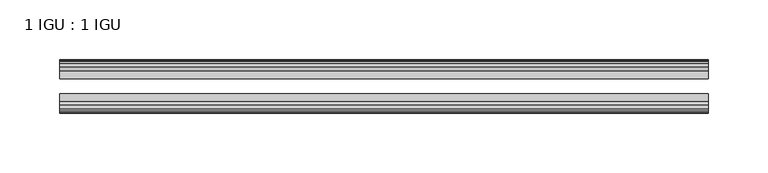
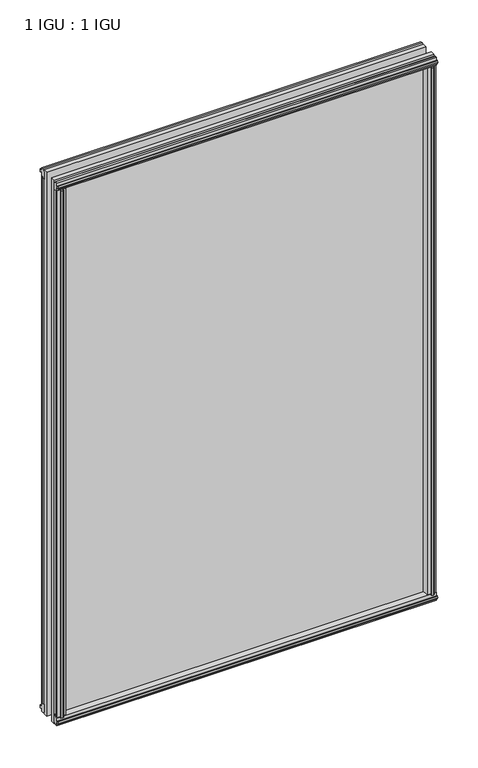
"""IFC4 building model written with IfcOpenShell, lengths in millimetres: plate geometry, 1 IGU : 1 IGU."""

from ifc_helpers import new_model, si_unit, frame, origin, origin_with_axes, place, context, project, spatial, polyline, outline, extrude, source, transform, mapped, element, save


def plate_1_igu_1_igu_ea7aefea(model_context):
    return source(origin(), model_context, "Body", "SweptSolid", [
        extrude(outline(polyline([(258.3727015, -19.5460937), (260.4779786, -13.1960937), (265.685173, -13.1960937), (266.066173, -10.8158968), (264.650644, -11.27583), (264.650644, -10.4746158), (266.828173, -9.7670937), (269.0057021, -10.4746158), (269.0057021, -11.27583), (267.590173, -10.8158968), (267.971173, -13.1960937), (272.416173, -13.1960937), (272.416173, -16.1419073), (270.2030955, -19.5460937), (258.3727015, -19.5460937)])), origin_with_axes(), (0.0, 0.0, 1.0), 800.1),
        extrude(outline(polyline([(-258.3727015, -19.5460937), (-270.2030955, -19.5460937), (-272.416173, -16.1419073), (-272.416173, -13.1960937), (-267.971173, -13.1960937), (-267.590173, -10.8158968), (-269.0057021, -11.27583), (-269.0057021, -10.4746158), (-266.828173, -9.7670937), (-264.650644, -10.4746158), (-264.650644, -11.27583), (-266.066173, -10.8158968), (-265.685173, -13.1960937), (-260.4779786, -13.1960937), (-258.3727015, -19.5460937)])), origin_with_axes(), (0.0, 0.0, 1.0), 800.1),
        extrude(outline(polyline([(-16.1419073, -12.4576852), (-19.5460937, -10.2446077), (-19.5460937, 1.5857863), (-13.1960937, -0.5194908), (-13.1960937, -5.7266852), (-10.8158968, -6.1076852), (-11.27583, -4.6921562), (-10.4746158, -4.6921562), (-9.7670937, -6.8696852), (-10.4746158, -9.0472143), (-11.27583, -9.0472143), (-10.8158968, -7.6316852), (-13.1960937, -8.0126852), (-13.1960937, -12.4576852), (-16.1419073, -12.4576852)])), frame((-272.6584878, 0.0, 0.0), z_axis=(1.0, 0.0, 0.0), x_axis=(0.0, 1.0, 0.0)), (0.0, 0.0, 1.0), 545.3169756),
        extrude(outline(polyline([(-48.3502802, -11.938), (-51.2960937, -11.938), (-51.2960937, -7.493), (-53.6762907, -7.112), (-53.2163575, -8.5275291), (-54.0175717, -8.5275291), (-54.7250937, -6.35), (-54.0175717, -4.172471), (-53.2163575, -4.172471), (-53.6762907, -5.588), (-51.2960937, -5.207), (-51.2960937, 0.0001944), (-44.9460937, 2.1054715), (-44.9460937, -9.7249225), (-48.3502802, -11.938)])), frame((-272.6584878, 0.0, 0.0), z_axis=(1.0, 0.0, 0.0), x_axis=(0.0, 1.0, 0.0)), (0.0, 0.0, 1.0), 545.3169756),
        extrude(outline(polyline([(-16.1028367, 812.5576852), (-13.1960937, 812.5576852), (-13.1960937, 808.1126852), (-10.8158968, 807.7316852), (-11.27583, 809.1472143), (-10.4746158, 809.1472143), (-9.7670937, 806.9696852), (-10.4746158, 804.7921562), (-11.27583, 804.7921562), (-10.8158968, 806.2076852), (-13.1960937, 805.8266852), (-13.1960937, 800.5940908), (-19.5460937, 798.4888137), (-19.5460937, 810.3192077), (-16.1028367, 812.5576852)])), frame((-272.6584878, 0.0, 0.0), z_axis=(1.0, 0.0, 0.0), x_axis=(0.0, 1.0, 0.0)), (0.0, 0.0, 1.0), 545.3169756),
        extrude(outline(polyline([(-48.3893508, 812.0126), (-44.9460937, 809.7741225), (-44.9460937, 797.9437285), (-51.2960937, 800.0490056), (-51.2960937, 805.2816), (-53.6762907, 805.6626), (-53.2163575, 804.247071), (-54.0175717, 804.247071), (-54.7250938, 806.4246), (-54.0175717, 808.6021291), (-53.2163575, 808.6021291), (-53.6762907, 807.1866), (-51.2960937, 807.5676), (-51.2960937, 812.0126), (-48.3893508, 812.0126)])), frame((-272.6584878, 0.0, 0.0), z_axis=(1.0, 0.0, 0.0), x_axis=(0.0, 1.0, 0.0)), (0.0, 0.0, 1.0), 545.3169756),
        extrude(outline(polyline([(-257.8530163, -44.9460938), (-259.9582934, -51.2960938), (-265.1654878, -51.2960938), (-265.5464878, -53.6762907), (-264.1309587, -53.2163575), (-264.1309587, -54.0175717), (-266.3084878, -54.7250938), (-268.4860168, -54.0175717), (-268.4860168, -53.2163575), (-267.0704878, -53.6762907), (-267.4514878, -51.2960938), (-271.8964878, -51.2960938), (-271.8964878, -48.3502802), (-269.6834103, -44.9460938), (-257.8530163, -44.9460938)])), origin_with_axes(), (0.0, 0.0, 1.0), 800.1),
        extrude(outline(polyline([(257.8530163, -44.9460938), (269.6834103, -44.9460938), (271.8964878, -48.3502802), (271.8964878, -51.2960938), (267.4514878, -51.2960938), (267.0704878, -53.6762907), (268.4860168, -53.2163575), (268.4860168, -54.0175717), (266.3084878, -54.7250938), (264.1309587, -54.0175717), (264.1309587, -53.2163575), (265.5464878, -53.6762907), (265.1654878, -51.2960938), (259.9582934, -51.2960938), (257.8530163, -44.9460938)])), origin_with_axes(), (0.0, 0.0, 1.0), 800.1),
        extrude(outline(polyline([(272.6584878, -19.5460937), (272.6584878, -25.8337453), (-272.6584878, -25.8337453), (-272.6584878, -19.5460937), (272.6584878, -19.5460937)])), frame((0.0, 0.0, -12.7), z_axis=(0.0, 0.0, 1.0), x_axis=(1.0, 0.0, 0.0)), (0.0, 0.0, 1.0), 825.4872998),
        extrude(outline(polyline([(-272.6584878, -44.9460937), (-272.6584878, -38.6468938), (272.6584878, -38.6468938), (272.6584878, -44.9460937), (-272.6584878, -44.9460937)])), frame((0.0, 0.0, -12.7), z_axis=(0.0, 0.0, 1.0), x_axis=(1.0, 0.0, 0.0)), (0.0, 0.0, 1.0), 825.4872998),
    ])


if __name__ == "__main__":
    model = new_model("IFC4")
    model_context = context("Model", 3, world=origin())
    ifc_project = project(units=[si_unit("LENGTHUNIT", "METRE", prefix="MILLI")], contexts=[model_context])
    site = spatial("IfcSite", under=ifc_project)
    building = spatial("IfcBuilding", under=site)
    placement = place(None, origin())
    plate_1_igu_1_igu_shape = plate_1_igu_1_igu_ea7aefea(model_context)
    element("IfcPlate", 1, ObjectType="1 IGU : 1 IGU", at=placement, inside=building, context=model_context, shape_type="MappedRepresentation", body=[
        mapped(plate_1_igu_1_igu_shape, transform((0.0, 0.0, 0.0), x_axis=(1.0, 0.0, 0.0), y_axis=(0.0, 1.0, 0.0), z_axis=(0.0, 0.0, 1.0))),
    ])
    save(model, "model.ifc")
